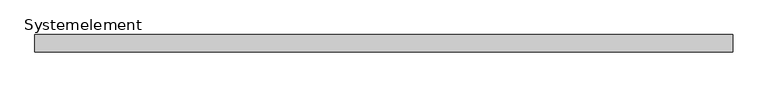
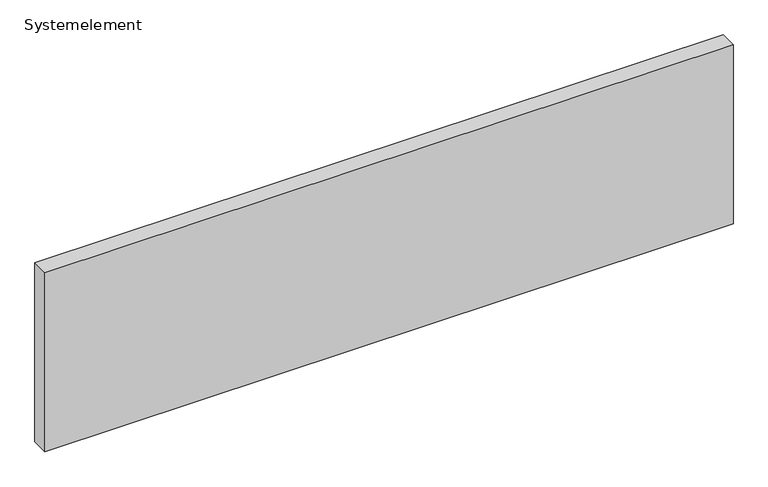
"""IFC4 building model written with IfcOpenShell, lengths in millimetres: plate geometry, Systemelement."""

from ifc_helpers import new_model, si_unit, origin, origin_with_axes, place, context, project, spatial, polyline, outline, extrude, source, transform, mapped, element, save


def systemelement_f6e879db(model_context):
    return source(origin(), model_context, "Body", "SweptSolid", [
        extrude(outline(polyline([(2000.0, -100.0), (-2000.0, -100.0), (-2000.0, 0.0), (2000.0, 0.0), (2000.0, -100.0)])), origin_with_axes(), (0.0, 0.0, 1.0), 1100.0),
    ])


if __name__ == "__main__":
    model = new_model("IFC4")
    model_context = context("Model", 3, world=origin())
    ifc_project = project(units=[si_unit("LENGTHUNIT", "METRE", prefix="MILLI")], contexts=[model_context])
    site = spatial("IfcSite", under=ifc_project)
    building = spatial("IfcBuilding", under=site)
    placement = place(None, origin())
    systemelement_shape = systemelement_f6e879db(model_context)
    element("IfcPlate", 1, ObjectType="Systemelement", at=placement, inside=building, context=model_context, shape_type="MappedRepresentation", body=[
        mapped(systemelement_shape, transform((0.0, 0.0, 0.0), x_axis=(1.0, 0.0, 0.0), y_axis=(0.0, 1.0, 0.0), z_axis=(0.0, 0.0, 1.0))),
    ])
    save(model, "model.ifc")
